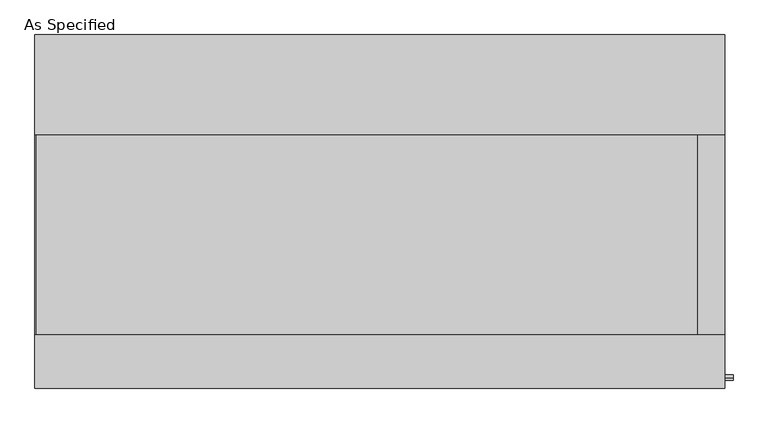
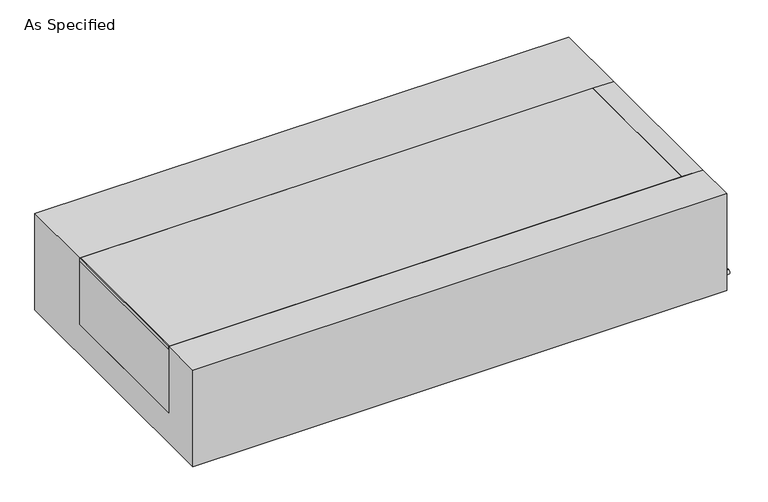
"""IFC4 building model written with IfcOpenShell, lengths in millimetres: proxy geometry, As Specified."""

from ifc_helpers import new_model, si_unit, point, frame, frame_2d, origin, place, context, project, spatial, polyline, circle_curve, trimmed, segment, composite_curve, outline, extrude, source, transform, mapped, element, save


def as_specified_10e92175(model_context):
    return source(origin(), model_context, "Body", "SweptSolid", [
        extrude(outline(composite_curve([segment(trimmed(circle_curve(frame_2d((-636.5875, -466.725)), 10.5), [point((-636.5875, -456.225))], [point((-636.5875, -477.225))], False, "CARTESIAN"), True, "CONTINUOUS"), segment(trimmed(circle_curve(frame_2d((-636.5875, -466.725)), 10.5), [point((-636.5875, -477.225))], [point((-636.5875, -456.225))], False, "CARTESIAN"), True, "CONTINUOUS")], self_intersect=False)), frame((1319.2125, 0.0, 0.0), z_axis=(1.0, 0.0, 0.0), x_axis=(0.0, 1.0, 0.0)), (0.0, 0.0, 1.0), 31.8403384),
        extrude(outline(polyline([(1216.81875, -469.9), (1216.81875, 292.1), (1319.2125, 292.1), (1319.2125, -469.9), (1216.81875, -469.9)])), frame((0.0, 0.0, -373.0625), z_axis=(0.0, 0.0, 1.0), x_axis=(1.0, 0.0, 0.0)), (0.0, 0.0, 1.0), 347.6625),
        extrude(outline(polyline([(-1315.24375, -469.9), (-1319.2125, -469.9), (-1319.2125, 292.1), (-1315.24375, 292.1), (-1315.24375, -469.9)])), frame((0.0, 0.0, -39.6875), z_axis=(0.0, 0.0, 1.0), x_axis=(1.0, 0.0, 0.0)), (0.0, 0.0, 1.0), 14.2875),
        extrude(outline(polyline([(1216.81875, 292.1), (1216.81875, -469.9), (-1319.2125, -469.9), (-1319.2125, 292.1), (1216.81875, 292.1)])), frame((0.0, 0.0, -373.0625), z_axis=(0.0, 0.0, 1.0), x_axis=(1.0, 0.0, 0.0)), (0.0, 0.0, 1.0), 347.6625),
        extrude(outline(polyline([(676.275, -25.4), (676.275, -530.225), (-676.275, -530.225), (-676.275, -25.4), (-469.9, -25.4), (-469.9, -373.0625), (292.1, -373.0625), (292.1, -25.4), (676.275, -25.4)])), frame((-1319.2125, 0.0, 0.0), z_axis=(1.0, 0.0, 0.0), x_axis=(0.0, 1.0, 0.0)), (0.0, 0.0, 1.0), 2638.425),
    ])


if __name__ == "__main__":
    model = new_model("IFC4")
    model_context = context("Model", 3, world=origin())
    ifc_project = project(units=[si_unit("LENGTHUNIT", "METRE", prefix="MILLI")], contexts=[model_context])
    site = spatial("IfcSite", under=ifc_project)
    building = spatial("IfcBuilding", under=site)
    placement = place(None, origin())
    as_specified_shape = as_specified_10e92175(model_context)
    element("IfcBuildingElementProxy", 1, Name="As Specified", ObjectType="As Specified", at=placement, inside=building, context=model_context, shape_type="MappedRepresentation", body=[
        mapped(as_specified_shape, transform((0.0, 0.0, 0.0), x_axis=(1.0, 0.0, 0.0), y_axis=(0.0, 1.0, 0.0), z_axis=(0.0, 0.0, 1.0))),
    ])
    save(model, "model.ifc")
